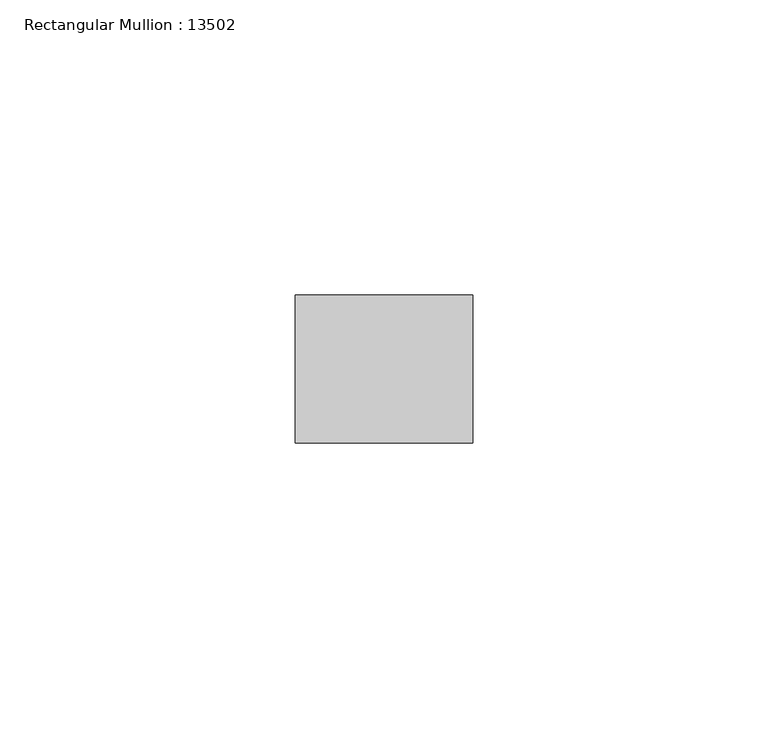
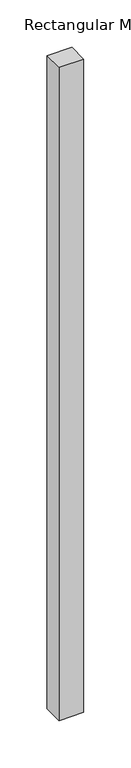
"""IFC4 building model written with IfcOpenShell, lengths in millimetres: member geometry, Rectangular Mullion : 13502."""

from ifc_helpers import new_model, si_unit, frame, origin, place, context, project, spatial, polyline, outline, extrude, source, transform, mapped, element, save


def rectangular_mullion_13502_f81b247d(model_context):
    return source(origin(), model_context, "Body", "SweptSolid", [
        extrude(outline(polyline([(0.0, -12.5), (-29.9999993, -12.5), (-29.9999993, 12.5), (0.0, 12.5), (0.0, -12.5)])), frame((0.0, 0.0, -841.0), z_axis=(0.0, 0.0, 1.0), x_axis=(1.0, 0.0, 0.0)), (0.0, 0.0, 1.0), 841.0),
    ])


if __name__ == "__main__":
    model = new_model("IFC4")
    model_context = context("Model", 3, world=origin())
    ifc_project = project(units=[si_unit("LENGTHUNIT", "METRE", prefix="MILLI")], contexts=[model_context])
    site = spatial("IfcSite", under=ifc_project)
    building = spatial("IfcBuilding", under=site)
    placement = place(None, origin())
    rectangular_mullion_13502_shape = rectangular_mullion_13502_f81b247d(model_context)
    element("IfcMember", 1, ObjectType="Rectangular Mullion : 13502", at=placement, inside=building, context=model_context, shape_type="MappedRepresentation", body=[
        mapped(rectangular_mullion_13502_shape, transform((0.0, 0.0, 0.0), x_axis=(1.0, 0.0, 0.0), y_axis=(0.0, 1.0, 0.0), z_axis=(0.0, 0.0, 1.0))),
    ])
    save(model, "model.ifc")
